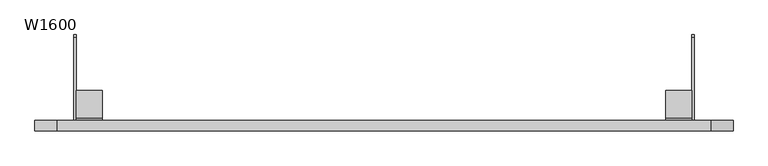
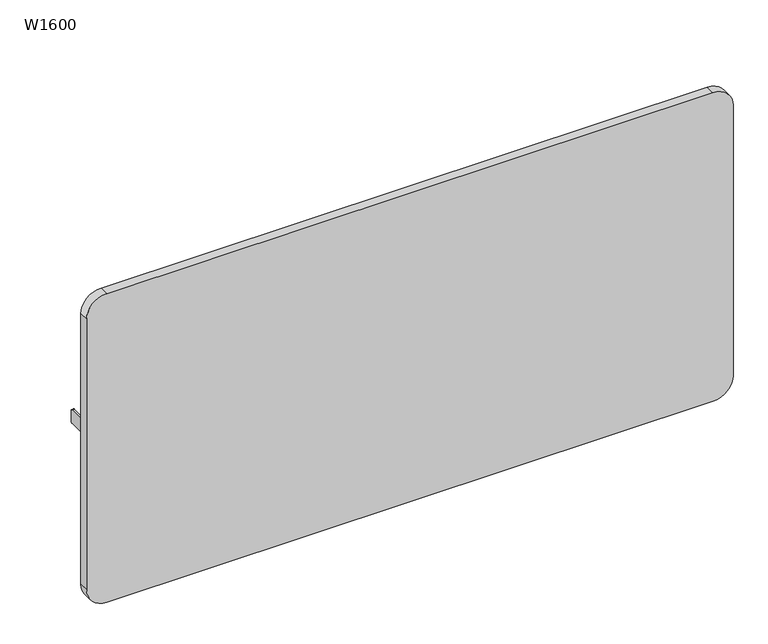
"""IFC4 building model written with IfcOpenShell, lengths in millimetres: furniture geometry, W1600."""

from ifc_helpers import new_model, si_unit, point, frame, frame_2d, origin, place, context, project, spatial, polyline, circle_curve, trimmed, segment, composite_curve, outline, extrude, source, transform, mapped, element, save


def w1600_9cb4fef8(model_context):
    return source(origin(), model_context, "Body", "SweptSolid", [
        extrude(outline(composite_curve([segment(polyline([(16.9999999, 718.5354697), (80.8197962, 718.5354697), (80.8197962, 715.5354697), (17.9999999, 715.5354697)]), True, "CONTINUOUS"), segment(trimmed(circle_curve(frame_2d((17.9999999, 712.5354697)), 3.0), [point((17.9999999, 715.5354697))], [point((14.9999999, 712.5354697))], True, "CARTESIAN"), True, "CONTINUOUS"), segment(polyline([(14.9999999, 712.5354697), (14.9999999, 618.6903385), (11.9999999, 618.6903385), (11.9999999, 713.5354697)]), True, "CONTINUOUS"), segment(trimmed(circle_curve(frame_2d((16.9999999, 713.5354697)), 5.0), [point((11.9999999, 713.5354697))], [point((16.9999999, 718.5354697))], False, "CARTESIAN"), True, "CONTINUOUS")], self_intersect=False)), frame((645.1890113, 0.0, 0.0), z_axis=(1.0, 0.0, 0.0), x_axis=(0.0, 1.0, 0.0)), (0.0, 0.0, 1.0), 60.0781128),
        extrude(outline(composite_curve([segment(polyline([(16.9999999, 718.5354697), (80.8197962, 718.5354697), (80.8197962, 715.5354697), (17.9999999, 715.5354697)]), True, "CONTINUOUS"), segment(trimmed(circle_curve(frame_2d((17.9999999, 712.5354697)), 3.0), [point((17.9999999, 715.5354697))], [point((14.9999999, 712.5354697))], True, "CARTESIAN"), True, "CONTINUOUS"), segment(polyline([(14.9999999, 712.5354697), (14.9999999, 618.6903385), (11.9999999, 618.6903385), (11.9999999, 713.5354697)]), True, "CONTINUOUS"), segment(trimmed(circle_curve(frame_2d((16.9999999, 713.5354697)), 5.0), [point((11.9999999, 713.5354697))], [point((16.9999999, 718.5354697))], False, "CARTESIAN"), True, "CONTINUOUS")], self_intersect=False)), frame((-705.2671287, 0.0, 0.0), z_axis=(1.0, 0.0, 0.0), x_axis=(0.0, 1.0, 0.0)), (0.0, 0.0, 1.0), 60.0781128),
        extrude(outline(composite_curve([segment(polyline([(11.9999999, 715.8755678), (204.1205788, 715.8755678)]), True, "CONTINUOUS"), segment(trimmed(circle_curve(frame_2d((204.1205788, 710.8755678)), 5.0), [point((204.1205788, 715.8755678))], [point((209.1205788, 710.8755678))], False, "CARTESIAN"), True, "CONTINUOUS"), segment(polyline([(209.1205788, 710.8755678), (209.1205788, 685.5354622)]), True, "CONTINUOUS"), segment(trimmed(circle_curve(frame_2d((204.1205788, 685.5354622)), 5.0), [point((209.1205788, 685.5354622))], [point((204.1205788, 680.5354622))], False, "CARTESIAN"), True, "CONTINUOUS"), segment(polyline([(204.1205788, 680.5354622), (85.984939, 680.5354622)]), True, "CONTINUOUS"), segment(trimmed(circle_curve(frame_2d((85.984939, 671.5354622)), 9.0), [point((85.984939, 680.5354622))], [point((79.2685525, 677.5263013))], True, "CARTESIAN"), True, "CONTINUOUS"), segment(polyline([(79.2685525, 677.5263013), (28.876057, 621.030797)]), True, "CONTINUOUS"), segment(trimmed(circle_curve(frame_2d((23.6522009, 625.6903385)), 7.0), [point((28.876057, 621.030797))], [point((23.6522009, 618.6903385))], False, "CARTESIAN"), True, "CONTINUOUS"), segment(polyline([(23.6522009, 618.6903385), (11.9999999, 618.6903385), (11.9999999, 715.8755678)]), True, "CONTINUOUS")], self_intersect=False)), frame((705.2602561, 0.0, 0.0), z_axis=(1.0, 0.0, 0.0), x_axis=(0.0, 1.0, 0.0)), (0.0, 0.0, 1.0), 5.2963383),
        extrude(outline(composite_curve([segment(polyline([(11.9999999, 715.8755678), (204.1205788, 715.8755678)]), True, "CONTINUOUS"), segment(trimmed(circle_curve(frame_2d((204.1205788, 710.8755678)), 5.0), [point((204.1205788, 715.8755678))], [point((209.1205788, 710.8755678))], False, "CARTESIAN"), True, "CONTINUOUS"), segment(polyline([(209.1205788, 710.8755678), (209.1205788, 685.5354622)]), True, "CONTINUOUS"), segment(trimmed(circle_curve(frame_2d((204.1205788, 685.5354622)), 5.0), [point((209.1205788, 685.5354622))], [point((204.1205788, 680.5354622))], False, "CARTESIAN"), True, "CONTINUOUS"), segment(polyline([(204.1205788, 680.5354622), (85.984939, 680.5354622)]), True, "CONTINUOUS"), segment(trimmed(circle_curve(frame_2d((85.984939, 671.5354622)), 9.0), [point((85.984939, 680.5354622))], [point((79.2685525, 677.5263013))], True, "CARTESIAN"), True, "CONTINUOUS"), segment(polyline([(79.2685525, 677.5263013), (28.876057, 621.030797)]), True, "CONTINUOUS"), segment(trimmed(circle_curve(frame_2d((23.6522009, 625.6903385)), 7.0), [point((28.876057, 621.030797))], [point((23.6522009, 618.6903385))], False, "CARTESIAN"), True, "CONTINUOUS"), segment(polyline([(23.6522009, 618.6903385), (11.9999999, 618.6903385), (11.9999999, 715.8755678)]), True, "CONTINUOUS")], self_intersect=False)), frame((-710.5565991, 0.0, 0.0), z_axis=(1.0, 0.0, 0.0), x_axis=(0.0, 1.0, 0.0)), (0.0, 0.0, 1.0), 5.2963383),
        extrude(outline(composite_curve([segment(polyline([(1165.0000853, 749.9999977), (1165.0000853, -750.0000023)]), True, "CONTINUOUS"), segment(trimmed(circle_curve(frame_2d((1115.0000853, -750.0000023)), 50.0), [point((1165.0000853, -750.0000023))], [point((1115.0000853, -800.0000023))], False, "CARTESIAN"), True, "CONTINUOUS"), segment(polyline([(1115.0000853, -800.0000023), (408.0000853, -800.0000023)]), True, "CONTINUOUS"), segment(trimmed(circle_curve(frame_2d((408.0000853, -750.0000023)), 50.0), [point((408.0000853, -800.0000023))], [point((358.0000853, -750.0000023))], False, "CARTESIAN"), True, "CONTINUOUS"), segment(polyline([(358.0000853, -750.0000023), (358.0000853, 749.9999977)]), True, "CONTINUOUS"), segment(trimmed(circle_curve(frame_2d((408.0000853, 749.9999977)), 50.0), [point((358.0000853, 749.9999977))], [point((408.0000853, 799.9999977))], False, "CARTESIAN"), True, "CONTINUOUS"), segment(polyline([(408.0000853, 799.9999977), (1115.0000853, 799.9999977)]), True, "CONTINUOUS"), segment(trimmed(circle_curve(frame_2d((1115.0000853, 749.9999977)), 50.0), [point((1115.0000853, 799.9999977))], [point((1165.0000853, 749.9999977))], False, "CARTESIAN"), True, "CONTINUOUS")], self_intersect=False)), frame((0.0, -12.0000013, 0.0), z_axis=(0.0, 1.0, 0.0), x_axis=(0.0, 0.0, 1.0)), (0.0, 0.0, 1.0), 24.0000011),
    ])


if __name__ == "__main__":
    model = new_model("IFC4")
    model_context = context("Model", 3, world=origin())
    ifc_project = project(units=[si_unit("LENGTHUNIT", "METRE", prefix="MILLI")], contexts=[model_context])
    site = spatial("IfcSite", under=ifc_project)
    building = spatial("IfcBuilding", under=site)
    placement = place(None, origin())
    w1600_shape = w1600_9cb4fef8(model_context)
    element("IfcFurniture", 1, ObjectType="W1600", at=placement, inside=building, context=model_context, shape_type="MappedRepresentation", body=[
        mapped(w1600_shape, transform((0.0, 0.0, 0.0), x_axis=(1.0, 0.0, 0.0), y_axis=(0.0, 1.0, 0.0), z_axis=(0.0, 0.0, 1.0))),
    ])
    save(model, "model.ifc")
